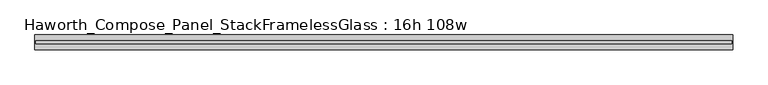
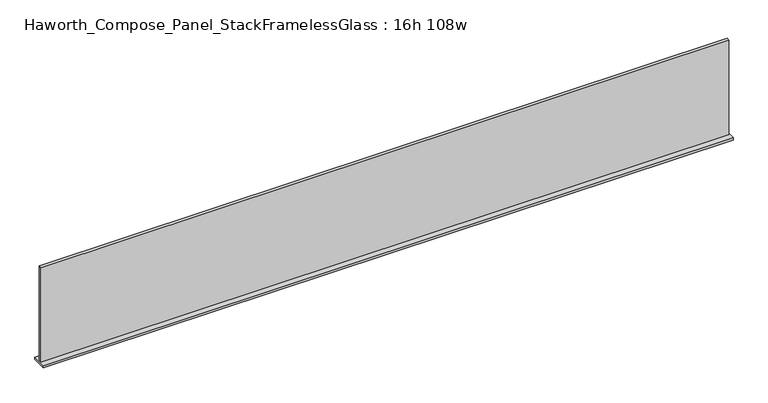
"""IFC4 building model written with IfcOpenShell, lengths in millimetres: furniture geometry, Haworth_Compose_Panel_StackFramelessGlass : 16h 108w."""

from ifc_helpers import new_model, si_unit, frame, origin, place, context, project, spatial, polyline, outline, extrude, source, transform, mapped, element, save


def haworth_compose_panel_stackframelessglass_16h_108w_73ca172a(model_context):
    return source(origin(), model_context, "Body", "SweptSolid", [
        extrude(outline(polyline([(1370.8652902, -27.3093594), (-1365.9847098, -27.3093594), (-1365.9847098, -14.6093594), (1370.8652902, -14.6093594), (1370.8652902, -27.3093594)])), frame((0.0, 0.0, 1279.525), z_axis=(0.0, 0.0, 1.0), x_axis=(1.0, 0.0, 0.0)), (0.0, 0.0, 1.0), 396.875),
        extrude(outline(polyline([(-1369.1597098, -50.3281094), (-1369.1597098, 8.4093906), (1374.0402902, 8.4093906), (1374.0402902, -50.3281094), (-1369.1597098, -50.3281094)])), frame((0.0, 0.0, 1270.0), z_axis=(0.0, 0.0, 1.0), x_axis=(1.0, 0.0, 0.0)), (0.0, 0.0, 1.0), 9.525),
    ])


if __name__ == "__main__":
    model = new_model("IFC4")
    model_context = context("Model", 3, world=origin())
    ifc_project = project(units=[si_unit("LENGTHUNIT", "METRE", prefix="MILLI")], contexts=[model_context])
    site = spatial("IfcSite", under=ifc_project)
    building = spatial("IfcBuilding", under=site)
    placement = place(None, origin())
    haworth_compose_panel_stackframelessglass_16h_108w_shape = haworth_compose_panel_stackframelessglass_16h_108w_73ca172a(model_context)
    element("IfcFurniture", 1, ObjectType="Haworth_Compose_Panel_StackFramelessGlass : 16h 108w", at=placement, inside=building, context=model_context, shape_type="MappedRepresentation", body=[
        mapped(haworth_compose_panel_stackframelessglass_16h_108w_shape, transform((0.0, 0.0, 0.0), x_axis=(1.0, 0.0, 0.0), y_axis=(0.0, 1.0, 0.0), z_axis=(0.0, 0.0, 1.0))),
    ])
    save(model, "model.ifc")
